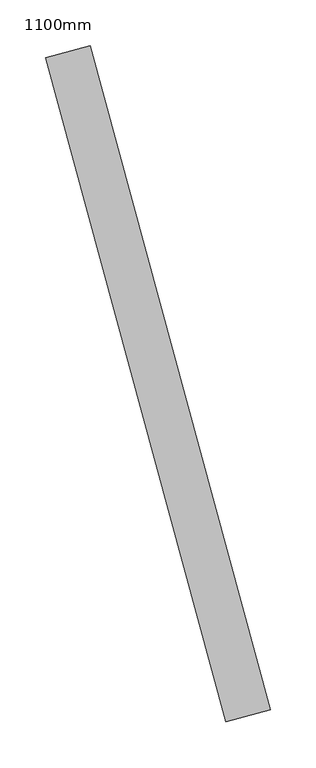
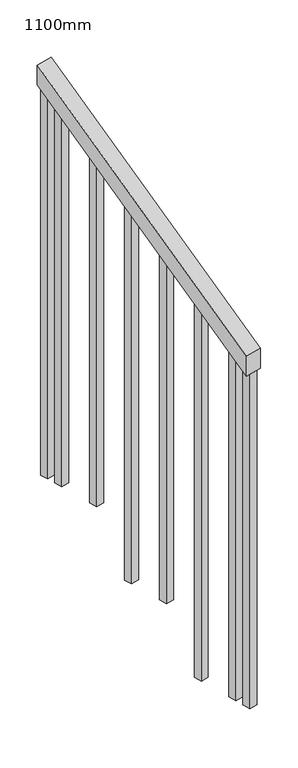
"""IFC4 building model written with IfcOpenShell, lengths in millimetres: railing geometry, 1100mm."""

from ifc_helpers import new_model, si_unit, frame, origin, place, context, project, spatial, polyline, outline, extrude, source, transform, mapped, element, save


def railing_1100mm_dcbe9ef3(model_context):
    return source(origin(), model_context, "Body", "SweptSolid", [
        extrude(outline(polyline([(-35.5555555, -50.0), (0.0, 0.0), (920.2958462, 0.0), (884.7402906, -50.0), (-35.5555555, -50.0)])), frame((139610.7179982, -86442.7917715, 1277.7777778), z_axis=(0.9649894123601794, 0.2622888370342049, 0.0), x_axis=(-0.21375368431596972, 0.786423259755395, 0.5795237863600143)), (0.0, 0.0, 1.0), 50.0),
        extrude(outline(polyline([(108.8888889, 0.0), (91.1111112, 25.0), (1271.980277, 25.0), (1271.980277, 0.0), (108.8888889, 0.0)])), frame((139445.7354008, -85788.1453077, 1805.3136103), z_axis=(0.9649894123601821, 0.2622888370341949, 0.0), x_axis=(0.0, 0.0, -1.0)), (0.0, 0.0, 1.0), 25.0),
        extrude(outline(polyline([(108.8888889, 0.0), (91.1111111, 25.0), (1183.0913881, 25.0), (1183.0913881, 0.0), (108.8888889, 0.0)])), frame((139478.5215055, -85908.7689842, 1716.4247214), z_axis=(0.9649894123601821, 0.2622888370341949, 0.0), x_axis=(0.0, 0.0, -1.0)), (0.0, 0.0, 1.0), 25.0),
        extrude(outline(polyline([(108.8888889, 0.0), (91.1111111, 25.0), (1271.9802769, 25.0), (1271.9802769, 0.0), (108.8888889, 0.0)])), frame((139511.3076101, -86029.3926608, 1627.5358325), z_axis=(0.9649894123601821, 0.2622888370341949, 0.0), x_axis=(0.0, 0.0, -1.0)), (0.0, 0.0, 1.0), 25.0),
        extrude(outline(polyline([(108.8888889, 0.0), (91.1111111, 25.0), (1183.091388, 25.0), (1183.091388, 0.0), (108.8888889, 0.0)])), frame((139544.0937147, -86150.0163373, 1538.6469436), z_axis=(0.9649894123601821, 0.2622888370341949, 0.0), x_axis=(0.0, 0.0, -1.0)), (0.0, 0.0, 1.0), 25.0),
        extrude(outline(polyline([(108.8888889, 0.0), (91.1111111, 25.0000001), (1271.9802769, 25.0000001), (1271.9802769, 0.0), (108.8888889, 0.0)])), frame((139576.8798193, -86270.6400139, 1449.7580547), z_axis=(0.9649894123601821, 0.2622888370341949, 0.0), x_axis=(0.0, 0.0, -1.0)), (0.0, 0.0, 1.0), 25.0),
        extrude(outline(polyline([(108.8888889, 0.0), (91.1111111, 25.0), (1183.091388, 25.0), (1183.091388, 0.0), (108.8888889, 0.0)])), frame((139609.665924, -86391.2636904, 1360.8691658), z_axis=(0.9649894123601821, 0.2622888370341949, 0.0), x_axis=(0.0, 0.0, -1.0)), (0.0, 0.0, 1.0), 25.0),
        extrude(outline(polyline([(108.8888889, 0.0), (91.1111111, 25.0000001), (1307.5358325, 25.0000001), (1307.5358325, 0.0), (108.8888889, 0.0)])), frame((139432.620959, -85739.8958371, 1840.8691658), z_axis=(0.9649894123601821, 0.2622888370341949, 0.0), x_axis=(0.0, 0.0, -1.0)), (0.0, 0.0, 1.0), 25.0),
        extrude(outline(polyline([(108.8888889, 0.0), (91.1111112, 25.0), (1147.5358325, 25.0), (1147.5358325, 0.0), (108.8888889, 0.0)])), frame((139622.7803658, -86439.513161, 1325.3136103), z_axis=(0.9649894123601821, 0.2622888370341949, 0.0), x_axis=(0.0, 0.0, -1.0)), (0.0, 0.0, 1.0), 25.0),
    ])


if __name__ == "__main__":
    model = new_model("IFC4")
    model_context = context("Model", 3, world=origin())
    ifc_project = project(units=[si_unit("LENGTHUNIT", "METRE", prefix="MILLI")], contexts=[model_context])
    site = spatial("IfcSite", under=ifc_project)
    building = spatial("IfcBuilding", under=site)
    placement = place(None, origin())
    railing_1100mm_shape = railing_1100mm_dcbe9ef3(model_context)
    element("IfcRailing", 1, ObjectType="1100mm", at=placement, inside=building, context=model_context, shape_type="MappedRepresentation", body=[
        mapped(railing_1100mm_shape, transform((0.0, 0.0, 0.0), x_axis=(1.0, 0.0, 0.0), y_axis=(0.0, 1.0, 0.0), z_axis=(0.0, 0.0, 1.0))),
    ])
    save(model, "model.ifc")
